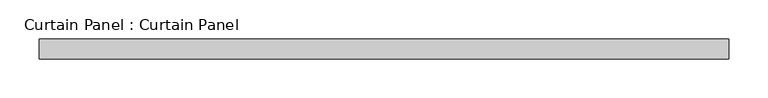
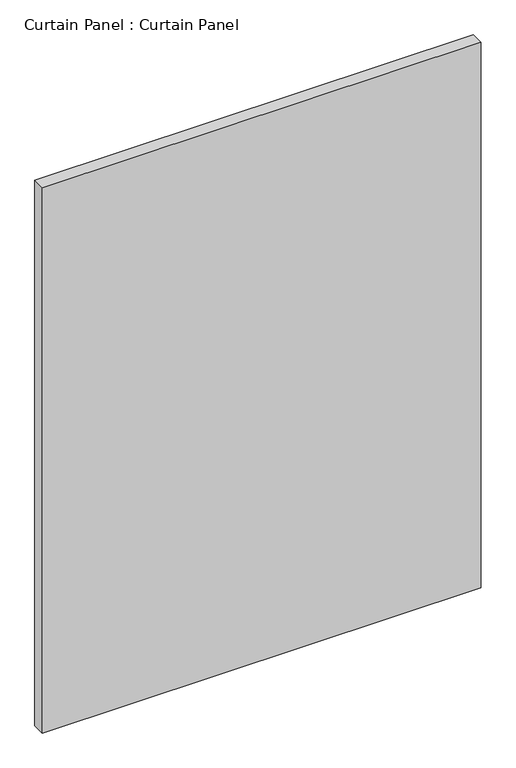
"""IFC4 building model written with IfcOpenShell, lengths in millimetres: plate geometry, Curtain Panel : Curtain Panel."""

import ifcopenshell
import ifcopenshell.guid

model = None  # the IFC model being written
_history = None  # IfcOwnerHistory: only IFC2X3 demands one
_inside = {}  # id of a spatial element -> (the spatial element, [elements in it])
_under = {}  # id of a project, library or spatial element -> (it, [spatial elements below it])
_declared = {}  # id of a project -> (the project, [libraries it declares])
_typed = {}  # id of a type object -> (the type object, [elements of that type])
_made_of = {}  # id of a material, layer set ... -> (it, [elements and type objects made of it])


def new_model(schema):
    """Start an empty IFC model of exactly this schema.

    Asked for "IFC4X3", IfcOpenShell would pick the latest addendum, in which some entities
    have other attributes; the version numbers below select the first issue.
    IFC2X3 requires an IfcOwnerHistory on every rooted entity: one is made here for all.
    """
    global model, _history
    if schema == "IFC4X3":
        model = ifcopenshell.file(schema_version=(4, 3, 0, 0))
    else:
        model = ifcopenshell.file(schema=schema)
    _inside.clear()
    _under.clear()
    _declared.clear()
    _typed.clear()
    _made_of.clear()
    _history = None
    if model.schema == "IFC2X3":
        org = make("IfcOrganization", Name="unknown")
        user = make(
            "IfcPersonAndOrganization",
            ThePerson=make("IfcPerson", FamilyName="unknown"),
            TheOrganization=org,
        )
        app = make(
            "IfcApplication",
            ApplicationDeveloper=org,
            Version="unknown",
            ApplicationFullName="unknown",
            ApplicationIdentifier="unknown",
        )
        _history = make(
            "IfcOwnerHistory",
            OwningUser=user,
            OwningApplication=app,
            ChangeAction="ADDED",
            CreationDate=0,
        )
    return model


def make(cls, **values):
    """One entity of the class cls with the attributes given. An attribute that is None is left unset."""
    return model.create_entity(
        cls, **{name: value for name, value in values.items() if value is not None}
    )


def rooted(cls, **values):
    """An entity with a GlobalId (a new one), such as an element, a storey or a relation."""
    return make(cls, GlobalId=ifcopenshell.guid.new(), OwnerHistory=_history, **values)


def si_unit(unit_type, name, prefix=None):
    """IfcSIUnit, for example si_unit("LENGTHUNIT", "METRE", prefix="MILLI")."""
    return make("IfcSIUnit", UnitType=unit_type, Prefix=prefix, Name=name)


def assignment(units):
    """IfcUnitAssignment: the units of a project."""
    return None if units is None else make("IfcUnitAssignment", Units=units)


def point(xyz):
    """IfcCartesianPoint."""
    return None if xyz is None else make("IfcCartesianPoint", Coordinates=xyz)


def direction(xyz):
    """IfcDirection."""
    return None if xyz is None else make("IfcDirection", DirectionRatios=xyz)


def frame(location, z_axis=None, x_axis=None):
    """IfcAxis2Placement3D, a coordinate frame: its origin and axes. An axis left out is left unset."""
    return make(
        "IfcAxis2Placement3D",
        Location=point(location),
        Axis=direction(z_axis),
        RefDirection=direction(x_axis),
    )


def origin():
    """The frame at (0, 0, 0) with its axes left unset."""
    return frame((0.0, 0.0, 0.0))


def place(relative_to, where):
    """IfcLocalPlacement: puts the frame where relative to a parent placement (None: the world)."""
    return make(
        "IfcLocalPlacement", PlacementRelTo=relative_to, RelativePlacement=where
    )


def context(
    kind, dimensions, precision=None, world=None, true_north=None, identifier=None
):
    """IfcGeometricRepresentationContext, for example the 3D "Model" context."""
    return make(
        "IfcGeometricRepresentationContext",
        ContextIdentifier=identifier,
        ContextType=kind,
        CoordinateSpaceDimension=dimensions,
        Precision=precision,
        WorldCoordinateSystem=world,
        TrueNorth=true_north,
    )


def project(units=None, contexts=None):
    """IfcProject with its units and contexts."""
    return rooted(
        "IfcProject",
        Name="project",
        RepresentationContexts=contexts,
        UnitsInContext=assignment(units),
    )


def spatial(cls, under=None, at=None, **own):
    """A site, building, storey or space (cls), placed at a placement, below another one or the project."""
    s = rooted(cls, ObjectPlacement=at, **own)
    if under is not None:
        _under.setdefault(under.id(), (under, []))[1].append(s)
    return s


def polyline(points):
    """IfcPolyline through the points."""
    return make("IfcPolyline", Points=[point(p) for p in points])


def outline(outer, holes=None, kind="AREA"):
    """IfcArbitraryClosedProfileDef: a profile drawn as a closed curve; with holes, ...WithVoids."""
    if holes is None:
        return make("IfcArbitraryClosedProfileDef", ProfileType=kind, OuterCurve=outer)
    return make(
        "IfcArbitraryProfileDefWithVoids",
        ProfileType=kind,
        OuterCurve=outer,
        InnerCurves=holes,
    )


def extrude(swept, where, along, depth):
    """IfcExtrudedAreaSolid: the profile swept, set in the frame where, extruded along a direction by depth."""
    return make(
        "IfcExtrudedAreaSolid",
        SweptArea=swept,
        Position=where,
        ExtrudedDirection=direction(along),
        Depth=depth,
    )


def shape(context_of_items, identifier, shape_type, items):
    """IfcShapeRepresentation: the items that make up one representation, for example the "Body"."""
    return make(
        "IfcShapeRepresentation",
        ContextOfItems=context_of_items,
        RepresentationIdentifier=identifier,
        RepresentationType=shape_type,
        Items=items,
    )


def source(mapping_origin, context_of_items, identifier, shape_type, items):
    """IfcRepresentationMap: a shape defined once, which mapped items show again and again."""
    return make(
        "IfcRepresentationMap",
        MappingOrigin=mapping_origin,
        MappedRepresentation=shape(context_of_items, identifier, shape_type, items),
    )


def transform(
    local_origin,
    x_axis=None,
    y_axis=None,
    z_axis=None,
    scale=None,
    scale2=None,
    scale3=None,
    uniform=True,
):
    """IfcCartesianTransformationOperator3D, or its non-uniform kind. x_axis, y_axis, z_axis: its Axis1, 2, 3."""
    if uniform:
        return make(
            "IfcCartesianTransformationOperator3D",
            Axis1=direction(x_axis),
            Axis2=direction(y_axis),
            LocalOrigin=point(local_origin),
            Scale=scale,
            Axis3=direction(z_axis),
        )
    return make(
        "IfcCartesianTransformationOperator3DnonUniform",
        Axis1=direction(x_axis),
        Axis2=direction(y_axis),
        LocalOrigin=point(local_origin),
        Scale=scale,
        Axis3=direction(z_axis),
        Scale2=scale2,
        Scale3=scale3,
    )


def mapped(mapping_source, mapping_target):
    """IfcMappedItem: shows the shape of a source again, moved by a transform."""
    return make(
        "IfcMappedItem", MappingSource=mapping_source, MappingTarget=mapping_target
    )


def made_of(thing, what):
    """Note that an element or type object is made of a material, layer set ...; save() writes the relation."""
    if what is not None:
        _made_of.setdefault(what.id(), (what, []))[1].append(thing)
    return thing


def element(
    cls,
    number,
    at=None,
    inside=None,
    cuts=None,
    type_object=None,
    material=None,
    context=None,
    identifier="Body",
    shape_type=None,
    held_by="IfcProductDefinitionShape",
    body=None,
    shapes=None,
    **own,
):
    """One element of the class cls, such as IfcWall. Its Tag is "e" and its number.

    at: its placement. inside: the storey or other place that contains it. cuts: it is an
    opening in that element (IfcRelVoidsElement). A single representation is given by context,
    identifier, shape_type and body (its items); several are given by shapes. held_by: the class
    of the entity that holds the representations. save() writes the other relations.
    """
    e = rooted(cls, Tag="e%d" % number, ObjectPlacement=at, **own)
    if body is not None:
        shapes = [shape(context, identifier, shape_type, body)]
    if shapes is not None:
        e.Representation = make(held_by, Representations=shapes)
    if inside is not None:
        _inside.setdefault(inside.id(), (inside, []))[1].append(e)
    if cuts is not None:
        rooted(
            "IfcRelVoidsElement", RelatingBuildingElement=cuts, RelatedOpeningElement=e
        )
    if type_object is not None:
        _typed.setdefault(type_object.id(), (type_object, []))[1].append(e)
    return made_of(e, material)


def aggregate(whole, parts):
    """IfcRelAggregates: a whole, such as a stair, and the parts it consists of."""
    return rooted("IfcRelAggregates", RelatingObject=whole, RelatedObjects=parts)


def save(model, path):
    """Write the relations noted so far, then the file.

    IfcRelAggregates (storeys below a building ...), IfcRelContainedInSpatialStructure (elements
    in a storey), IfcRelDefinesByType, IfcRelAssociatesMaterial and IfcRelDeclares: one each for
    every whole, place, type object, material and project.
    """
    for whole, parts in _under.values():
        aggregate(whole, parts)
    for where, things in _inside.values():
        rooted(
            "IfcRelContainedInSpatialStructure",
            RelatedElements=things,
            RelatingStructure=where,
        )
    for kind, things in _typed.values():
        rooted("IfcRelDefinesByType", RelatedObjects=things, RelatingType=kind)
    for what, things in _made_of.values():
        rooted("IfcRelAssociatesMaterial", RelatedObjects=things, RelatingMaterial=what)
    for by, libraries in _declared.values():
        rooted("IfcRelDeclares", RelatingContext=by, RelatedDefinitions=libraries)
    model.write(path)


def curtain_panel_curtain_panel_0a602440(model_context):
    return source(origin(), model_context, "Body", "SweptSolid", [
        extrude(outline(polyline([(-177652.3628689, 4757.6387985), (-178531.8378689, 4757.6387985), (-178531.8378689, 4783.0387985), (-177652.3628689, 4783.0387985), (-177652.3628689, 4757.6387985)])), frame((0.0, 0.0, 46.0375), z_axis=(0.0, 0.0, 1.0), x_axis=(1.0, 0.0, 0.0)), (0.0, 0.0, 1.0), 1155.7),
    ])


if __name__ == "__main__":
    model = new_model("IFC4")
    model_context = context("Model", 3, world=origin())
    ifc_project = project(units=[si_unit("LENGTHUNIT", "METRE", prefix="MILLI")], contexts=[model_context])
    site = spatial("IfcSite", under=ifc_project)
    building = spatial("IfcBuilding", under=site)
    placement = place(None, origin())
    curtain_panel_curtain_panel_shape = curtain_panel_curtain_panel_0a602440(model_context)
    element("IfcPlate", 1, ObjectType="Curtain Panel : Curtain Panel", at=placement, inside=building, context=model_context, shape_type="MappedRepresentation", body=[
        mapped(curtain_panel_curtain_panel_shape, transform((0.0, 0.0, 0.0), x_axis=(1.0, 0.0, 0.0), y_axis=(0.0, 1.0, 0.0), z_axis=(0.0, 0.0, 1.0))),
    ])
    save(model, "model.ifc")
